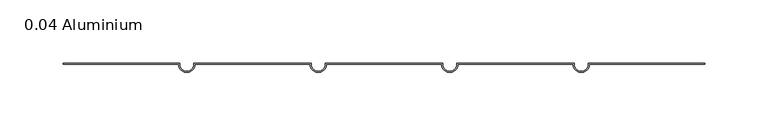
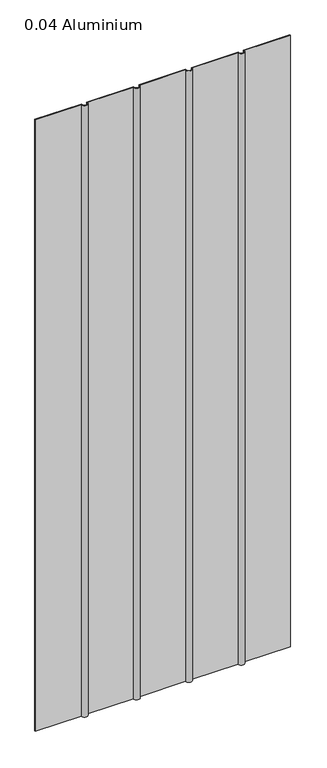
"""IFC4 building model written with IfcOpenShell, lengths in millimetres: plate geometry, 0.04 Aluminium."""

from ifc_helpers import new_model, si_unit, point, frame_2d, origin, origin_with_axes, place, context, project, spatial, polyline, circle_curve, trimmed, segment, composite_curve, outline, extrude, source, transform, mapped, element, save


def plate_0_04_aluminium_d6717451(model_context):
    return source(origin(), model_context, "Body", "SweptSolid", [
        extrude(outline(composite_curve([segment(polyline([(45.68698, 0.0), (-45.68698, 0.0)]), True, "CONTINUOUS"), segment(trimmed(circle_curve(frame_2d((-52.03698, 0.0)), 6.35), [point((-45.68698, 0.0))], [point((-58.38698, 0.0))], False, "CARTESIAN"), True, "CONTINUOUS"), segment(polyline([(-58.38698, 0.0), (-149.76094, 0.0)]), True, "CONTINUOUS"), segment(trimmed(circle_curve(frame_2d((-156.11094, 0.0)), 6.35), [point((-149.76094, 0.0))], [point((-162.46094, 0.0))], False, "CARTESIAN"), True, "CONTINUOUS"), segment(polyline([(-162.46094, 0.0), (-254.0, 0.0), (-254.0, 1.016), (-161.64814, 1.016), (-161.64814, 0.0)]), True, "CONTINUOUS"), segment(trimmed(circle_curve(frame_2d((-156.11094, 0.0)), 5.5372), [point((-161.64814, 0.0))], [point((-150.57374, 0.0))], True, "CARTESIAN"), True, "CONTINUOUS"), segment(polyline([(-150.57374, 0.0), (-150.57374, 1.016), (-57.57418, 1.016), (-57.57418, 0.0)]), True, "CONTINUOUS"), segment(trimmed(circle_curve(frame_2d((-52.03698, 0.0)), 5.5372), [point((-57.57418, 0.0))], [point((-46.49978, 0.0))], True, "CARTESIAN"), True, "CONTINUOUS"), segment(polyline([(-46.49978, 0.0), (-46.49978, 1.016), (46.49978, 1.016), (46.49978, 0.0)]), True, "CONTINUOUS"), segment(trimmed(circle_curve(frame_2d((52.03698, 0.0)), 5.5372), [point((46.49978, 0.0))], [point((57.57418, 0.0))], True, "CARTESIAN"), True, "CONTINUOUS"), segment(polyline([(57.57418, 0.0), (57.57418, 1.016), (150.57374, 1.016), (150.57374, 0.0)]), True, "CONTINUOUS"), segment(trimmed(circle_curve(frame_2d((156.11094, 0.0)), 5.5372), [point((150.57374, 0.0))], [point((161.64814, 0.0))], True, "CARTESIAN"), True, "CONTINUOUS"), segment(polyline([(161.64814, 0.0), (161.64814, 1.016), (254.0, 1.016), (254.0, 0.0), (162.46094, 0.0)]), True, "CONTINUOUS"), segment(trimmed(circle_curve(frame_2d((156.11094, 0.0)), 6.35), [point((162.46094, 0.0))], [point((149.76094, 0.0))], False, "CARTESIAN"), True, "CONTINUOUS"), segment(polyline([(149.76094, 0.0), (58.38698, 0.0)]), True, "CONTINUOUS"), segment(trimmed(circle_curve(frame_2d((52.03698, 0.0)), 6.35), [point((58.38698, 0.0))], [point((45.68698, 0.0))], False, "CARTESIAN"), True, "CONTINUOUS")], self_intersect=False)), origin_with_axes(), (0.0, 0.0, 1.0), 1285.875),
    ])


if __name__ == "__main__":
    model = new_model("IFC4")
    model_context = context("Model", 3, world=origin())
    ifc_project = project(units=[si_unit("LENGTHUNIT", "METRE", prefix="MILLI")], contexts=[model_context])
    site = spatial("IfcSite", under=ifc_project)
    building = spatial("IfcBuilding", under=site)
    placement = place(None, origin())
    plate_0_04_aluminium_shape = plate_0_04_aluminium_d6717451(model_context)
    element("IfcPlate", 1, ObjectType="0.04 Aluminium", at=placement, inside=building, context=model_context, shape_type="MappedRepresentation", body=[
        mapped(plate_0_04_aluminium_shape, transform((0.0, 0.0, 0.0), x_axis=(1.0, 0.0, 0.0), y_axis=(0.0, 1.0, 0.0), z_axis=(0.0, 0.0, 1.0))),
    ])
    save(model, "model.ifc")
